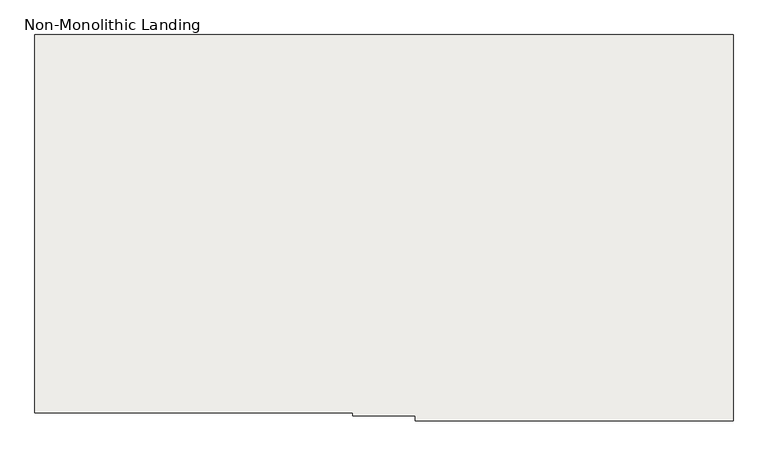
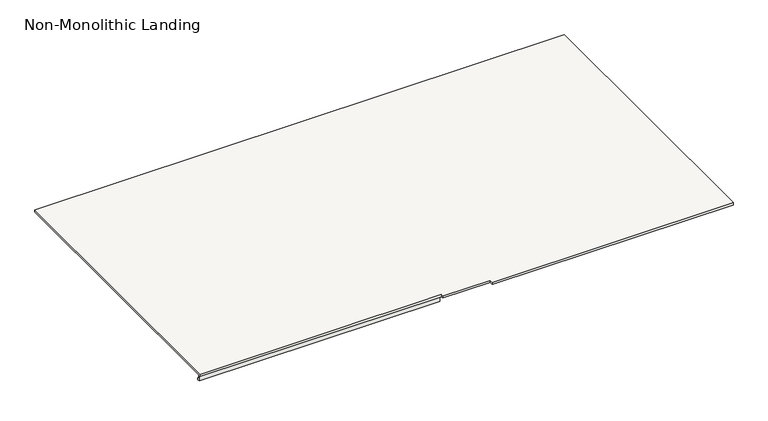
"""IFC4 building model written with IfcOpenShell, lengths in millimetres: slab geometry, Non-Monolithic Landing."""

from ifc_helpers import new_model, si_unit, origin, place, context, project, spatial, faceted_brep, source, transform, mapped, element, save


def non_monolithic_landing_33003ee2(model_context):
    return source(origin(), model_context, "Body", "Brep", [
        faceted_brep([(-18715.7515248, -9238.9832568, 2321.5294118), (-18715.7515248, -10428.9832568, 2321.5294118), (-17715.7515248, -10428.9832568, 2321.5294118), (-17715.7515248, -10438.9832568, 2321.5294118), (-17519.2515248, -10438.9832568, 2321.5294118), (-17519.2515248, -10453.9832568, 2321.5294118), (-16519.2515248, -10453.9832568, 2321.5294118), (-16519.2515248, -10438.9832568, 2321.5294118), (-16519.2515248, -9238.9832568, 2321.5294118), (-17715.7515248, -10428.9832568, 2311.5294118), (-18715.7515248, -10428.9832568, 2311.5294118), (-18715.7515248, -10418.9832568, 2311.5294118), (-17715.7515248, -10418.9832568, 2311.5294118), (-17715.7515248, -10415.6889024, 2311.5294118), (-18715.7515248, -10415.6889024, 2311.5294118), (-18715.7515248, -9238.9832568, 2311.5294118), (-16519.2515248, -9238.9832568, 2311.5294118), (-16519.2515248, -10438.9832568, 2311.5294118), (-16519.2515248, -10453.9832568, 2311.5294118), (-17519.2515248, -10453.9832568, 2311.5294118), (-17519.2515248, -10438.9832568, 2311.5294118), (-17715.7515248, -10438.9832568, 2311.5294118), (-18715.7515248, -10415.6889024, 2294.8944381), (-18715.7515248, -10409.7889347, 2294.9074412), (-18715.7515248, -10409.7889347, 2285.6487924), (-18715.7515248, -10418.9832568, 2285.6487924), (-17715.7515248, -10418.9832568, 2285.6487924), (-17715.7515248, -10409.7889347, 2285.6487924), (-17715.7515248, -10409.7889347, 2294.9074412), (-17715.7515248, -10415.6889024, 2294.8944381)], [[[0, 1, 2, 3, 4, 5, 6, 7, 8]], [[9, 10, 11, 12, 13, 14, 15, 16, 17, 18, 19, 20, 21]], [[8, 7, 17, 16]], [[0, 8, 16, 15]], [[0, 15, 14, 22, 23, 24, 25, 11, 10, 1]], [[26, 27, 28, 29, 13, 12]], [[25, 26, 12, 11]], [[27, 26, 25, 24]], [[28, 27, 24, 23]], [[29, 28, 23, 22]], [[29, 22, 14, 13]], [[2, 1, 10, 9]], [[3, 2, 9, 21]], [[4, 3, 21, 20]], [[5, 4, 20, 19]], [[6, 5, 19, 18]], [[7, 6, 18, 17]]]),
    ])


if __name__ == "__main__":
    model = new_model("IFC4")
    model_context = context("Model", 3, world=origin())
    ifc_project = project(units=[si_unit("LENGTHUNIT", "METRE", prefix="MILLI")], contexts=[model_context])
    site = spatial("IfcSite", under=ifc_project)
    building = spatial("IfcBuilding", under=site)
    placement = place(None, origin())
    non_monolithic_landing_shape = non_monolithic_landing_33003ee2(model_context)
    element("IfcSlab", 1, ObjectType="Non-Monolithic Landing", at=placement, inside=building, context=model_context, shape_type="MappedRepresentation", body=[
        mapped(non_monolithic_landing_shape, transform((0.0, 0.0, 0.0), x_axis=(1.0, 0.0, 0.0), y_axis=(0.0, 1.0, 0.0), z_axis=(0.0, 0.0, 1.0))),
    ])
    save(model, "model.ifc")
